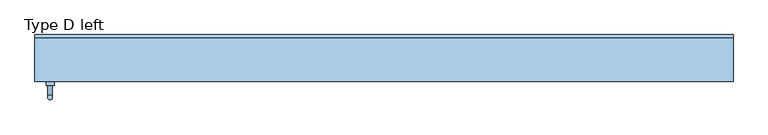
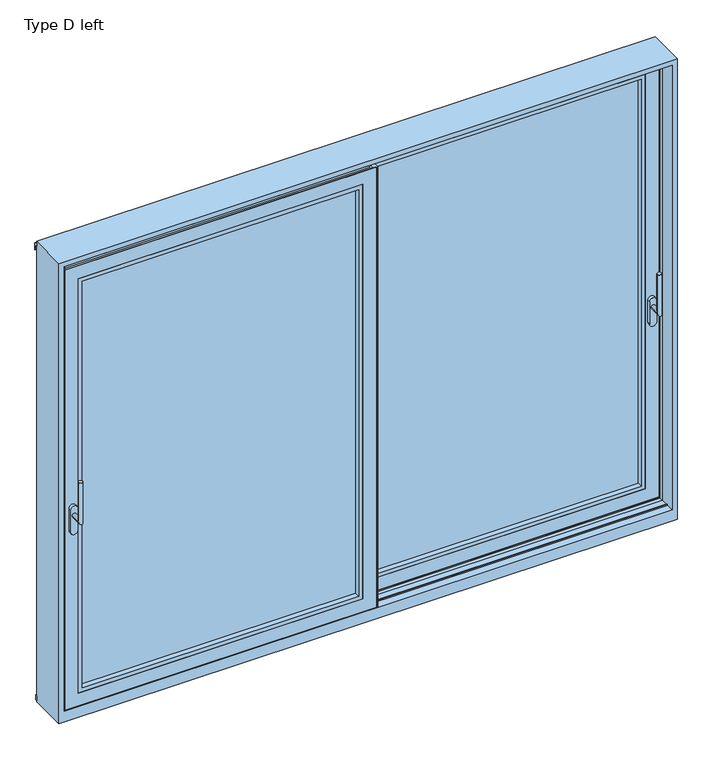
"""IFC4 building model written with IfcOpenShell, lengths in millimetres: window geometry, Type D left."""

from ifc_helpers import new_model, si_unit, point, frame, frame_2d, origin, place, context, project, spatial, polyline, circle_curve, ellipse_curve, trimmed, segment, composite_curve, outline, extrude, faceted_brep, source, transform, mapped, element, save
from ifc_brep_helpers import plane_surface, cylinder_surface, advanced_brep


def type_d_left_37bdd896(model_context):
    return source(origin(), model_context, "Body", "SolidModel", [
        advanced_brep(
        [(1435.0, -6.0, 995.0), (1415.0, -6.0, 995.0), (1415.0, -58.0, 995.0), (1435.0, -58.0, 995.0), (1435.0, -58.0, 1195.0), (1415.0, -58.0, 1195.0)],
        [
            (0, 1, circle_curve(frame((1425.0, -6.0, 995.0), z_axis=(0.0, 1.0, 0.0), x_axis=(-1.0000000000000009, 0.0, 0.0)), 10.0)),
            (1, 0, circle_curve(frame((1425.0, -6.0, 995.0), z_axis=(0.0, 1.0, 0.0), x_axis=(-1.0000000000000009, 0.0, 0.0)), 10.0)),
            (1, 2),
            (2, 3, ellipse_curve(frame((1425.0, -58.0, 995.0), z_axis=(0.0, 0.7071067811865475, -0.7071067811865475), x_axis=(0.0, 0.7071067811865476, 0.7071067811865474)), 14.1421356, 10.0)),
            (3, 0),
            (3, 2, ellipse_curve(frame((1425.0, -58.0, 995.0), z_axis=(0.0, 0.7071067811865475, -0.7071067811865475), x_axis=(0.0, 0.7071067811865476, 0.7071067811865474)), 14.1421356, 10.0)),
            (4, 5, circle_curve(frame((1425.0, -58.0, 1195.0), z_axis=(0.0, 0.0, 1.0), x_axis=(-1.0000000000000009, 0.0, 0.0)), 10.0)),
            (5, 4, circle_curve(frame((1425.0, -58.0, 1195.0), z_axis=(0.0, 0.0, 1.0), x_axis=(-1.0000000000000009, 0.0, 0.0)), 10.0)),
            (2, 5),
            (4, 3),
        ],
        [
            plane_surface(frame((1425.0, -6.0, 995.0), z_axis=(0.0, 1.0, 0.0), x_axis=(-1.0, 0.0, 0.0))),
            cylinder_surface(frame((1425.0, -6.0, 995.0), z_axis=(0.0, 1.0000000000000009, 0.0), x_axis=(-1.0000000000000009, 0.0, 0.0)), 10.0),
            plane_surface(frame((1425.0, -58.0, 1195.0), z_axis=(0.0, 0.0, 1.0), x_axis=(-1.0, 0.0, 0.0))),
            cylinder_surface(frame((1425.0, -58.0, 995.0), z_axis=(0.0, 0.0, -1.0), x_axis=(-1.0000000000000009, 0.0, 0.0)), 10.0),
        ],
        [
            (0, [[1, 2]]),
            (1, [[3, 4, 5, -2]]),
            (1, [[-5, 6, -3, -1]]),
            (2, [[7, 8]]),
            (3, [[9, -7, 10, -4]]),
            (3, [[-10, -8, -9, -6]]),
        ],
    ),
        extrude(outline(composite_curve([segment(polyline([(913.2823932, 1441.75), (1025.0099288, 1441.75)]), True, "CONTINUOUS"), segment(trimmed(circle_curve(frame_2d((1025.0099288, 1425.0)), 16.75), [point((1025.0099288, 1441.75))], [point((1025.0099288, 1408.25))], False, "CARTESIAN"), True, "CONTINUOUS"), segment(polyline([(1025.0099288, 1408.25), (913.2823932, 1408.25)]), True, "CONTINUOUS"), segment(trimmed(circle_curve(frame_2d((913.2823932, 1425.0)), 16.75), [point((913.2823932, 1408.25))], [point((913.2823932, 1441.75))], False, "CARTESIAN"), True, "CONTINUOUS")], self_intersect=False)), frame((0.0, -6.0, 0.0), z_axis=(0.0, 1.0, 0.0), x_axis=(0.0, 0.0, 1.0)), (0.0, 0.0, 1.0), 16.0),
        extrude(outline(polyline([(1446.5, 87.0), (1465.0, 87.0), (1465.0, 80.0), (1446.5, 80.0), (1446.5, 87.0)])), frame((0.0, 0.0, 18.5), z_axis=(0.0, 0.0, 1.0), x_axis=(1.0, 0.0, 0.0)), (0.0, 0.0, 1.0), 2211.5),
        extrude(outline(polyline([(1446.5, 20.0), (1465.0, 20.0), (1465.0, 13.0), (1446.5, 13.0), (1446.5, 20.0)])), frame((0.0, 0.0, 18.5), z_axis=(0.0, 0.0, 1.0), x_axis=(1.0, 0.0, 0.0)), (0.0, 0.0, 1.0), 2211.5),
        extrude(outline(polyline([(0.0, -9.0), (-47.5, -9.0), (-47.5, 90.0), (-41.5, 90.0), (-41.5, 87.0), (-24.5, 87.0), (-24.5, 13.0), (-39.5, 13.0), (-39.5, 10.0), (8.5, 10.0), (8.5, 4.0), (-6.0, 4.0), (-6.0, -6.0013087), (0.0, -6.0013087), (0.0, -9.0)])), frame((0.0, 0.0, 3.5), z_axis=(0.0, 0.0, 1.0), x_axis=(1.0, 0.0, 0.0)), (0.0, 0.0, 1.0), 2241.5),
        faceted_brep([(1461.5, 87.0, 2245.0), (1461.5, 87.0, 3.5), (1461.5, 90.0, 3.5), (1461.5, 90.0, 2245.0), (-39.5, 87.0, 3.5), (-39.5, 90.0, 3.5), (-39.5, 90.0, 2245.0), (45.5, 90.0, 88.5), (1376.5, 90.0, 88.5), (1376.5, 90.0, 2160.0), (45.5, 90.0, 2160.0), (-39.5, 87.0, 2245.0), (1446.5, 87.0, 18.5), (-24.5, 87.0, 18.5), (-24.5, 87.0, 2230.0), (1446.5, 87.0, 2230.0), (1461.5, 13.0, 3.5), (-39.5, 13.0, 3.5), (-39.5, 13.0, 2245.0), (1461.5, 13.0, 2245.0), (-24.5, 13.0, 18.5), (1446.5, 13.0, 18.5), (1446.5, 13.0, 2230.0), (-24.5, 13.0, 2230.0), (1461.5, 10.0, 2245.0), (1461.5, 10.0, 3.5), (-39.5, 10.0, 3.5), (-39.5, 10.0, 2245.0), (1396.5, 10.0, 68.5), (25.5, 10.0, 68.5), (25.5, 10.0, 2180.0), (1396.5, 10.0, 2180.0), (1396.5, 82.0, 2180.0), (1396.5, 82.0, 68.5), (25.5, 82.0, 68.5), (25.5, 82.0, 2180.0), (1376.5, 82.0, 88.5), (45.5, 82.0, 88.5), (45.5, 82.0, 2160.0), (1376.5, 82.0, 2160.0)], [[[0, 1, 2, 3]], [[1, 4, 5, 2]], [[2, 5, 6, 3], [7, 8, 9, 10]], [[4, 11, 6, 5]], [[4, 1, 0, 11], [12, 13, 14, 15]], [[16, 17, 18, 19], [20, 21, 22, 23]], [[24, 25, 16, 19]], [[25, 26, 17, 16]], [[26, 27, 18, 17]], [[26, 25, 24, 27], [28, 29, 30, 31]], [[32, 33, 28, 31]], [[33, 34, 29, 28]], [[34, 35, 30, 29]], [[34, 33, 32, 35], [36, 37, 38, 39]], [[9, 8, 36, 39]], [[8, 7, 37, 36]], [[7, 10, 38, 37]], [[11, 0, 3, 6]], [[27, 24, 19, 18]], [[35, 32, 31, 30]], [[10, 9, 39, 38]], [[22, 21, 12, 15]], [[20, 23, 14, 13]], [[21, 20, 13, 12]], [[23, 22, 15, 14]]]),
        extrude(outline(polyline([(2180.0, 1396.5), (2180.0, 25.5), (68.5, 25.5), (68.5, 1396.5), (2180.0, 1396.5)]), holes=[polyline([(2160.0, 45.5), (2160.0, 1376.5), (88.5, 1376.5), (88.5, 45.5), (2160.0, 45.5)])]), frame((0.0, 10.5, 0.0), z_axis=(0.0, 1.0, 0.0), x_axis=(0.0, 0.0, 1.0)), (0.0, 0.0, 1.0), 25.5),
        extrude(outline(polyline([(1396.5, 82.0), (1396.5, 36.0), (25.5, 36.0), (25.5, 82.0), (1396.5, 82.0)])), frame((0.0, 0.0, 68.5), z_axis=(0.0, 0.0, 1.0), x_axis=(1.0, 0.0, 0.0)), (0.0, 0.0, 1.0), 2111.5),
        extrude(outline(polyline([(-24.5, 59.0), (1446.5, 59.0), (1446.5, 41.0), (-24.5, 41.0), (-24.5, 59.0)])), frame((0.0, 0.0, 2230.0), z_axis=(0.0, 0.0, 1.0), x_axis=(1.0, 0.0, 0.0)), (0.0, 0.0, 1.0), 20.0),
        advanced_brep(
        [(-1435.0, -111.0, 995.0), (-1415.0, -111.0, 995.0), (-1435.0, -163.0, 995.0), (-1415.0, -163.0, 995.0), (-1435.0, -163.0, 1195.0), (-1415.0, -163.0, 1195.0)],
        [
            (0, 1, circle_curve(frame((-1425.0, -111.0, 995.0), z_axis=(0.0, 1.0, 0.0), x_axis=(1.0000000000000009, 0.0, 0.0)), 10.0)),
            (1, 0, circle_curve(frame((-1425.0, -111.0, 995.0), z_axis=(0.0, 1.0, 0.0), x_axis=(1.0000000000000009, 0.0, 0.0)), 10.0)),
            (0, 2),
            (2, 3, ellipse_curve(frame((-1425.0, -163.0, 995.0), z_axis=(0.0, 0.7071067811865475, -0.7071067811865475), x_axis=(0.0, 0.7071067811865476, 0.7071067811865474)), 14.1421356, 10.0)),
            (3, 1),
            (3, 2, ellipse_curve(frame((-1425.0, -163.0, 995.0), z_axis=(0.0, 0.7071067811865475, -0.7071067811865475), x_axis=(0.0, 0.7071067811865476, 0.7071067811865474)), 14.1421356, 10.0)),
            (4, 5, circle_curve(frame((-1425.0, -163.0, 1195.0), z_axis=(0.0, 0.0, 1.0), x_axis=(1.0000000000000009, 0.0, 0.0)), 10.0)),
            (5, 4, circle_curve(frame((-1425.0, -163.0, 1195.0), z_axis=(0.0, 0.0, 1.0), x_axis=(1.0000000000000009, 0.0, 0.0)), 10.0)),
            (2, 4),
            (5, 3),
        ],
        [
            plane_surface(frame((-1425.0, -111.0, 995.0), z_axis=(0.0, 1.0, 0.0), x_axis=(1.0, 0.0, 0.0))),
            cylinder_surface(frame((-1425.0, -111.0, 995.0), z_axis=(0.0, 1.0000000000000009, 0.0), x_axis=(1.0000000000000009, 0.0, 0.0)), 10.0),
            plane_surface(frame((-1425.0, -163.0, 1195.0), z_axis=(0.0, 0.0, 1.0), x_axis=(1.0, 0.0, 0.0))),
            cylinder_surface(frame((-1425.0, -163.0, 995.0), z_axis=(0.0, 0.0, -1.0), x_axis=(1.0000000000000009, 0.0, 0.0)), 10.0),
        ],
        [
            (0, [[1, 2]]),
            (1, [[-1, 3, 4, 5]]),
            (1, [[-2, -5, 6, -3]]),
            (2, [[7, 8]]),
            (3, [[-4, 9, -8, 10]]),
            (3, [[-6, -10, -7, -9]]),
        ],
    ),
        extrude(outline(composite_curve([segment(trimmed(circle_curve(frame_2d((913.2823932, -1425.0)), 16.75), [point((913.2823932, -1441.75))], [point((913.2823932, -1408.25))], False, "CARTESIAN"), True, "CONTINUOUS"), segment(polyline([(913.2823932, -1408.25), (1025.0099288, -1408.25)]), True, "CONTINUOUS"), segment(trimmed(circle_curve(frame_2d((1025.0099288, -1425.0)), 16.75), [point((1025.0099288, -1408.25))], [point((1025.0099288, -1441.75))], False, "CARTESIAN"), True, "CONTINUOUS"), segment(polyline([(1025.0099288, -1441.75), (913.2823932, -1441.75)]), True, "CONTINUOUS")], self_intersect=False)), frame((0.0, -111.0, 0.0), z_axis=(0.0, 1.0, 0.0), x_axis=(0.0, 0.0, 1.0)), (0.0, 0.0, 1.0), 16.0),
        extrude(outline(polyline([(-1446.5, -18.0), (-1446.5, -25.0), (-1465.0, -25.0), (-1465.0, -18.0), (-1446.5, -18.0)])), frame((0.0, 0.0, 18.5), z_axis=(0.0, 0.0, 1.0), x_axis=(1.0, 0.0, 0.0)), (0.0, 0.0, 1.0), 2211.5),
        extrude(outline(polyline([(-1446.5, -85.0), (-1446.5, -92.0), (-1465.0, -92.0), (-1465.0, -85.0), (-1446.5, -85.0)])), frame((0.0, 0.0, 18.5), z_axis=(0.0, 0.0, 1.0), x_axis=(1.0, 0.0, 0.0)), (0.0, 0.0, 1.0), 2211.5),
        extrude(outline(polyline([(47.5, 4.0), (47.5, -95.0), (41.5, -95.0), (41.5, -92.0), (24.5, -92.0), (24.5, -18.0), (39.5, -18.0), (39.5, -15.0), (-8.5, -15.0), (-8.5, -9.0), (6.0, -9.0), (6.0, 1.0013087), (0.0, 1.0013087), (0.0, 4.0), (47.5, 4.0)])), frame((0.0, 0.0, 3.5), z_axis=(0.0, 0.0, 1.0), x_axis=(1.0, 0.0, 0.0)), (0.0, 0.0, 1.0), 2241.5),
        faceted_brep([(-1461.5, -18.0, 2245.0), (-1461.5, -15.0, 2245.0), (-1461.5, -15.0, 3.5), (-1461.5, -18.0, 3.5), (39.5, -15.0, 3.5), (39.5, -18.0, 3.5), (39.5, -15.0, 2245.0), (-45.5, -15.0, 88.5), (-45.5, -15.0, 2160.0), (-1376.5, -15.0, 2160.0), (-1376.5, -15.0, 88.5), (39.5, -18.0, 2245.0), (-1446.5, -18.0, 18.5), (-1446.5, -18.0, 2230.0), (24.5, -18.0, 2230.0), (24.5, -18.0, 18.5), (-1461.5, -92.0, 3.5), (-1461.5, -92.0, 2245.0), (39.5, -92.0, 2245.0), (39.5, -92.0, 3.5), (24.5, -92.0, 18.5), (24.5, -92.0, 2230.0), (-1446.5, -92.0, 2230.0), (-1446.5, -92.0, 18.5), (-1461.5, -95.0, 2245.0), (-1461.5, -95.0, 3.5), (39.5, -95.0, 3.5), (39.5, -95.0, 2245.0), (-1396.5, -95.0, 68.5), (-1396.5, -95.0, 2180.0), (-25.5, -95.0, 2180.0), (-25.5, -95.0, 68.5), (-1396.5, -23.0, 2180.0), (-1396.5, -23.0, 68.5), (-25.5, -23.0, 68.5), (-25.5, -23.0, 2180.0), (-1376.5, -23.0, 88.5), (-1376.5, -23.0, 2160.0), (-45.5, -23.0, 2160.0), (-45.5, -23.0, 88.5)], [[[0, 1, 2, 3]], [[3, 2, 4, 5]], [[2, 1, 6, 4], [7, 8, 9, 10]], [[5, 4, 6, 11]], [[5, 11, 0, 3], [12, 13, 14, 15]], [[16, 17, 18, 19], [20, 21, 22, 23]], [[24, 17, 16, 25]], [[25, 16, 19, 26]], [[26, 19, 18, 27]], [[26, 27, 24, 25], [28, 29, 30, 31]], [[32, 29, 28, 33]], [[33, 28, 31, 34]], [[34, 31, 30, 35]], [[34, 35, 32, 33], [36, 37, 38, 39]], [[9, 37, 36, 10]], [[10, 36, 39, 7]], [[7, 39, 38, 8]], [[11, 6, 1, 0]], [[27, 18, 17, 24]], [[35, 30, 29, 32]], [[8, 38, 37, 9]], [[22, 13, 12, 23]], [[20, 15, 14, 21]], [[23, 12, 15, 20]], [[21, 14, 13, 22]]]),
        extrude(outline(polyline([(2180.0, -1396.5), (68.5, -1396.5), (68.5, -25.5), (2180.0, -25.5), (2180.0, -1396.5)]), holes=[polyline([(2160.0, -45.5), (88.5, -45.5), (88.5, -1376.5), (2160.0, -1376.5), (2160.0, -45.5)])]), frame((0.0, -94.5, 0.0), z_axis=(0.0, 1.0, 0.0), x_axis=(0.0, 0.0, 1.0)), (0.0, 0.0, 1.0), 25.5),
        extrude(outline(polyline([(-1396.5, -23.0), (-25.5, -23.0), (-25.5, -69.0), (-1396.5, -69.0), (-1396.5, -23.0)])), frame((0.0, 0.0, 68.5), z_axis=(0.0, 0.0, 1.0), x_axis=(1.0, 0.0, 0.0)), (0.0, 0.0, 1.0), 2111.5),
        extrude(outline(polyline([(24.5, -46.0), (24.5, -64.0), (-1446.5, -64.0), (-1446.5, -46.0), (24.5, -46.0)])), frame((0.0, 0.0, 2230.0), z_axis=(0.0, 0.0, 1.0), x_axis=(1.0, 0.0, 0.0)), (0.0, 0.0, 1.0), 20.0),
        extrude(outline(polyline([(90.0, -24.1943734), (97.0, -24.5), (97.0, -49.0), (90.0, -49.0), (90.0, -24.1943734)])), frame((-1490.0, 0.0, 0.0), z_axis=(1.0, 0.0, 0.0), x_axis=(0.0, 1.0, 0.0)), (0.0, 0.0, 1.0), 2980.0),
        extrude(outline(polyline([(105.0003684, 2275.1806742), (105.0003684, 2239.2221261), (103.0003684, 2239.2221261), (103.0003684, 2265.2221261), (90.0003684, 2265.2221261), (90.0003684, 2283.8409282), (105.0003684, 2275.1806742)])), frame((-1490.0, 0.0, 0.0), z_axis=(1.0, 0.0, 0.0), x_axis=(0.0, 1.0, 0.0)), (0.0, 0.0, 1.0), 2980.0),
        faceted_brep([(-1490.0, -95.0, -55.0), (-1490.0, -95.0, 2290.0), (-1490.0, 90.0, 2290.0), (-1490.0, 90.0, -55.0), (1490.0, -95.0, 2290.0), (1490.0, -95.0, -55.0), (1490.0, 90.0, -55.0), (1490.0, 90.0, 2290.0), (-1465.0, -15.0, 2265.0), (-1465.0, -95.0, 2265.0), (-1465.0, -95.0, 0.0), (-1465.0, -57.5, 0.0), (-1465.0, -57.5, 5.0), (-1465.0, -52.5, 5.0), (-1465.0, -52.5, 0.0), (-1465.0, -15.0, 0.0), (1465.0, -95.0, 2265.0), (1465.0, -15.0, 2265.0), (1465.0, -15.0, 0.0), (1465.0, -52.5, 0.0), (1465.0, -52.5, 5.0), (1465.0, -57.5, 5.0), (1465.0, -57.5, 0.0), (1465.0, -95.0, 0.0), (-1467.0, 10.0, 2267.0), (-1467.0, -15.0, 2267.0), (-1467.0, -15.0, 0.0), (-1467.0, -14.8, 0.0), (-1467.0, -14.8, -4.0), (-1467.0, 9.8, -4.0), (-1467.0, 9.8, 0.0), (-1467.0, 10.0, 0.0), (1467.0, -15.0, 2267.0), (1467.0, 10.0, 2267.0), (1467.0, 10.0, 0.0), (1467.0, 9.8, 0.0), (1467.0, 9.8, -4.0), (1467.0, -14.8, -4.0), (1467.0, -14.8, 0.0), (1467.0, -15.0, 0.0), (-1465.0, 90.0, 2265.0), (-1465.0, 10.0, 2265.0), (-1465.0, 10.0, 0.0), (-1465.0, 47.5, 0.0), (-1465.0, 47.5, 5.0), (-1465.0, 52.5, 5.0), (-1465.0, 52.5, 0.0), (-1465.0, 90.0, 0.0), (1465.0, 10.0, 2265.0), (1465.0, 90.0, 2265.0), (1465.0, 90.0, 0.0), (1465.0, 52.5, 0.0), (1465.0, 52.5, 5.0), (1465.0, 47.5, 5.0), (1465.0, 47.5, 0.0), (1465.0, 10.0, 0.0)], [[[0, 1, 2, 3]], [[4, 5, 6, 7]], [[8, 9, 10, 11, 12, 13, 14, 15]], [[16, 17, 18, 19, 20, 21, 22, 23]], [[24, 25, 26, 27, 28, 29, 30, 31]], [[32, 33, 34, 35, 36, 37, 38, 39]], [[40, 41, 42, 43, 44, 45, 46, 47]], [[48, 49, 50, 51, 52, 53, 54, 55]], [[4, 7, 2, 1]], [[16, 9, 8, 17]], [[32, 25, 24, 33]], [[48, 41, 40, 49]], [[6, 5, 0, 3]], [[0, 5, 4, 1], [16, 23, 10, 9]], [[6, 3, 2, 7], [40, 47, 50, 49]], [[10, 23, 22, 11]], [[17, 8, 15, 26, 25, 32, 39, 18]], [[14, 19, 18, 39, 38, 27, 26, 15]], [[13, 20, 19, 14]], [[12, 21, 20, 13]], [[11, 22, 21, 12]], [[33, 24, 31, 42, 41, 48, 55, 34]], [[50, 47, 46, 51]], [[45, 52, 51, 46]], [[44, 53, 52, 45]], [[43, 54, 53, 44]], [[54, 43, 42, 31, 30, 35, 34, 55]], [[29, 36, 35, 30]], [[28, 37, 36, 29]], [[27, 38, 37, 28]]]),
        extrude(outline(polyline([(-44.0, 2244.0917893), (-44.0, 2262.0), (-66.0, 2262.0), (-66.0, 2244.0917893), (-69.0, 2244.0917893), (-69.0, 2265.0), (-41.0, 2265.0), (-41.0, 2244.0917893), (-44.0, 2244.0917893)])), frame((-1465.0, 0.0, 0.0), z_axis=(1.0, 0.0, 0.0), x_axis=(0.0, 1.0, 0.0)), (0.0, 0.0, 1.0), 2930.0),
        extrude(outline(polyline([(61.0, 2244.0917893), (61.0, 2262.0), (39.0, 2262.0), (39.0, 2244.0917893), (36.0, 2244.0917893), (36.0, 2265.0), (64.0, 2265.0), (64.0, 2244.0917893), (61.0, 2244.0917893)])), frame((-1465.0, 0.0, 0.0), z_axis=(1.0, 0.0, 0.0), x_axis=(0.0, 1.0, 0.0)), (0.0, 0.0, 1.0), 2930.0),
    ])


if __name__ == "__main__":
    model = new_model("IFC4")
    model_context = context("Model", 3, world=origin())
    ifc_project = project(units=[si_unit("LENGTHUNIT", "METRE", prefix="MILLI")], contexts=[model_context])
    site = spatial("IfcSite", under=ifc_project)
    building = spatial("IfcBuilding", under=site)
    placement = place(None, origin())
    type_d_left_shape = type_d_left_37bdd896(model_context)
    element("IfcWindow", 1, ObjectType="Type D left", at=placement, inside=building, context=model_context, shape_type="MappedRepresentation", body=[
        mapped(type_d_left_shape, transform((0.0, 0.0, 0.0), x_axis=(1.0, 0.0, 0.0), y_axis=(0.0, 1.0, 0.0), z_axis=(0.0, 0.0, 1.0))),
    ])
    save(model, "model.ifc")
